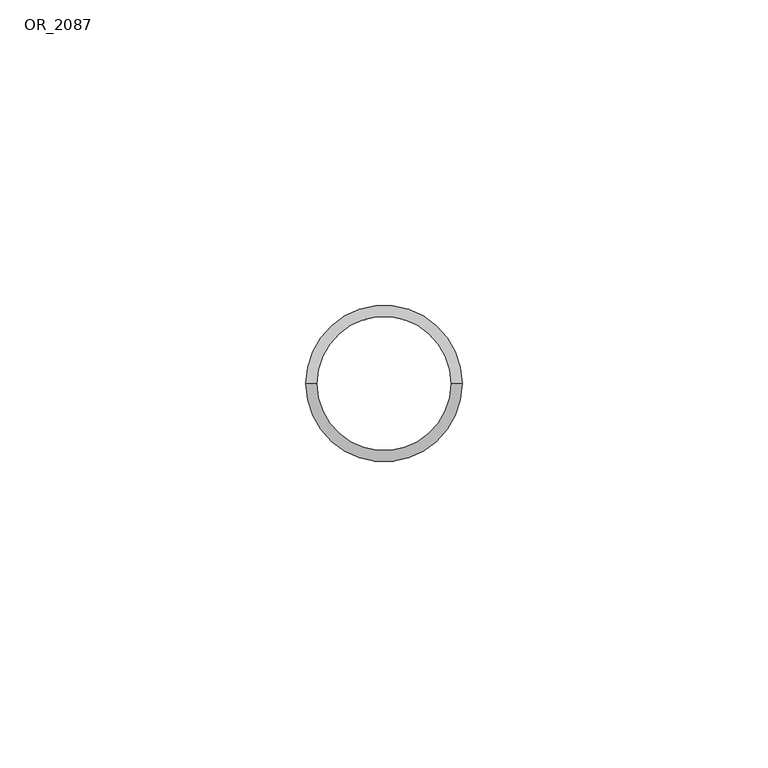
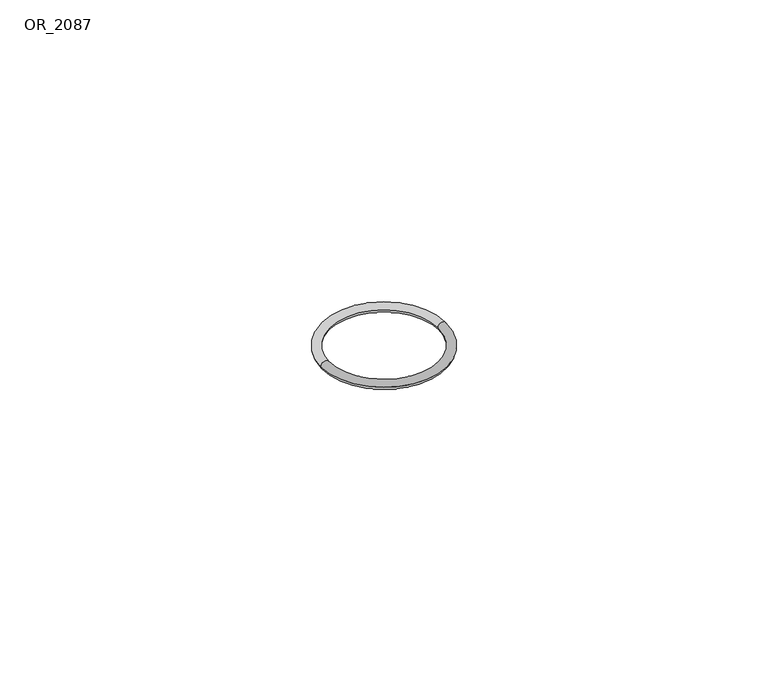
"""IFC4 building model written with IfcOpenShell, lengths in millimetres: proxy geometry, OR_2087."""

from ifc_helpers import new_model, si_unit, point, frame, origin, origin_with_axes, place, context, project, spatial, circle_curve, ellipse_curve, trimmed, source, transform, mapped, element, save
from ifc_brep_helpers import revolved_surface, advanced_brep


def or_2087_a51d346f(model_context):
    return source(origin(), model_context, "Body", "AdvancedBrep", [
        advanced_brep(
        [(-12.755, 0.0, 0.0), (12.755, 0.0, 0.0), (10.975, 0.0, 0.0), (-10.975, 0.0, 0.0)],
        [
            (0, 1, circle_curve(frame((0.0, 0.0, 0.0), z_axis=(0.0, 0.0, 1.0), x_axis=(-1.0, 0.0, 0.0)), 12.755)),
            (1, 2, circle_curve(frame((11.865, 0.0, 0.0), z_axis=(0.0, -1.0, 0.0), x_axis=(1.0, 0.0, 0.0)), 0.89)),
            (2, 3, circle_curve(frame((0.0, 0.0, 0.0), z_axis=(0.0, 0.0, -1.0), x_axis=(-1.0, 0.0, 0.0)), 10.975)),
            (3, 0, circle_curve(frame((-11.865, 0.0, 0.0), z_axis=(0.0, -1.0, 0.0), x_axis=(-1.0, 0.0, 0.0)), 0.89)),
            (1, 0, circle_curve(origin_with_axes(), 12.755)),
            (3, 2, circle_curve(frame((0.0, 0.0, 0.0), z_axis=(0.0, 0.0, -1.0), x_axis=(1.0, 0.0, 0.0)), 10.975)),
            (1, 2, circle_curve(frame((11.865, 0.0, 0.0), z_axis=(0.0, 1.0, 0.0), x_axis=(1.0, 0.0, 0.0)), 0.89)),
            (3, 0, circle_curve(frame((-11.865, 0.0, 0.0), z_axis=(0.0, 1.0, 0.0), x_axis=(-1.0, 0.0, 0.0)), 0.89)),
        ],
        [
            revolved_surface(trimmed(ellipse_curve(frame((-11.865, 0.0, 0.0), z_axis=(0.0, 1.0, 0.0), x_axis=(-1.0, 0.0, 0.0)), 0.89, 0.89), [point((-12.755, 0.0, 0.0))], [point((-10.975, 0.0, 0.0))], True, "CARTESIAN"), (0.0, 0.0, 0.0), (0.0, 0.0, 1.0)),
            revolved_surface(trimmed(ellipse_curve(frame((11.865, 0.0, 0.0), z_axis=(0.0, -1.0, 0.0), x_axis=(1.0, 0.0, 0.0)), 0.89, 0.89), [point((12.755, 0.0, 0.0))], [point((10.975, 0.0, 0.0))], True, "CARTESIAN"), (0.0, 0.0, 0.0), (0.0, 0.0, 1.0)),
            revolved_surface(trimmed(ellipse_curve(frame((11.865, 0.0, 0.0), z_axis=(0.0, -1.0, 0.0), x_axis=(1.0, 0.0, 0.0)), 0.89, 0.89), [point((10.975, 0.0, 0.0))], [point((12.755, 0.0, 0.0))], True, "CARTESIAN"), (0.0, 0.0, 0.0), (0.0, 0.0, 1.0)),
            revolved_surface(trimmed(ellipse_curve(frame((-11.865, 0.0, 0.0), z_axis=(0.0, 1.0, 0.0), x_axis=(-1.0, 0.0, 0.0)), 0.89, 0.89), [point((-10.975, 0.0, 0.0))], [point((-12.755, 0.0, 0.0))], True, "CARTESIAN"), (0.0, 0.0, 0.0), (0.0, 0.0, 1.0)),
        ],
        [
            (0, [[1, 2, 3, 4]]),
            (1, [[5, -4, 6, -2]]),
            (2, [[-5, 7, -6, 8]]),
            (3, [[-1, -8, -3, -7]]),
        ],
    ),
    ])


if __name__ == "__main__":
    model = new_model("IFC4")
    model_context = context("Model", 3, world=origin())
    ifc_project = project(units=[si_unit("LENGTHUNIT", "METRE", prefix="MILLI")], contexts=[model_context])
    site = spatial("IfcSite", under=ifc_project)
    building = spatial("IfcBuilding", under=site)
    placement = place(None, origin())
    or_2087_shape = or_2087_a51d346f(model_context)
    element("IfcBuildingElementProxy", 1, Name="OR_2087", ObjectType="OR_2087", at=placement, inside=building, context=model_context, shape_type="MappedRepresentation", body=[
        mapped(or_2087_shape, transform((0.0, 0.0, 0.0), x_axis=(1.0, 0.0, 0.0), y_axis=(0.0, 1.0, 0.0), z_axis=(0.0, 0.0, 1.0))),
    ])
    save(model, "model.ifc")
